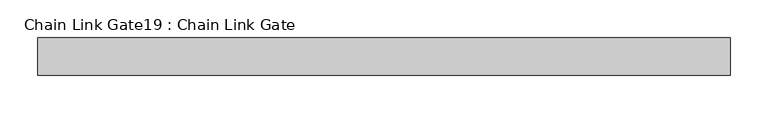
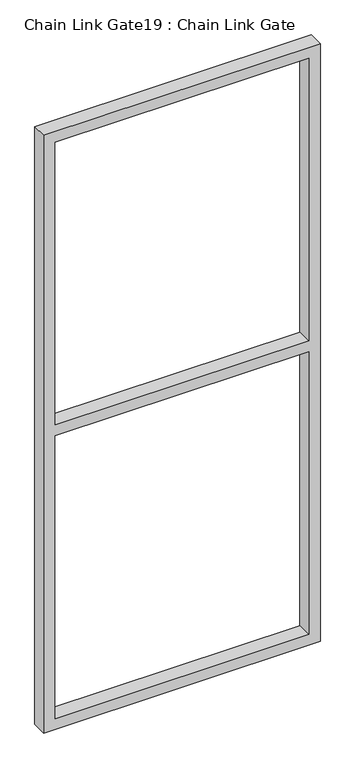
"""IFC4 building model written with IfcOpenShell, lengths in millimetres: proxy geometry, Chain Link Gate19 : Chain Link Gate."""

from ifc_helpers import new_model, si_unit, frame, origin, place, context, project, spatial, polyline, outline, extrude, source, transform, mapped, element, save


def chain_link_gate19_chain_link_gate_bba32ff2(model_context):
    return source(origin(), model_context, "Body", "SweptSolid", [
        extrude(outline(polyline([(2120.9, -13465.1848205), (12.7, -13465.1848205), (12.7, -12541.2598205), (2120.9, -12541.2598205), (2120.9, -13465.1848205)]), holes=[polyline([(2082.8, -13427.0848205), (2082.8, -12579.3598205), (1085.85, -12579.3598205), (1085.85, -13427.0848205), (2082.8, -13427.0848205)]), polyline([(1047.75, -12579.3598205), (50.8, -12579.3598205), (50.8, -13427.0848205), (1047.75, -13427.0848205), (1047.75, -12579.3598205)])]), frame((0.0, 15493.7112077, 0.0), z_axis=(0.0, 1.0, 0.0), x_axis=(0.0, 0.0, 1.0)), (0.0, 0.0, 1.0), 50.1314753),
    ])


if __name__ == "__main__":
    model = new_model("IFC4")
    model_context = context("Model", 3, world=origin())
    ifc_project = project(units=[si_unit("LENGTHUNIT", "METRE", prefix="MILLI")], contexts=[model_context])
    site = spatial("IfcSite", under=ifc_project)
    building = spatial("IfcBuilding", under=site)
    placement = place(None, origin())
    chain_link_gate19_chain_link_gate_shape = chain_link_gate19_chain_link_gate_bba32ff2(model_context)
    element("IfcBuildingElementProxy", 1, Name="Chain Link Gate19 : Chain Link Gate", ObjectType="Chain Link Gate19 : Chain Link Gate", at=placement, inside=building, context=model_context, shape_type="MappedRepresentation", body=[
        mapped(chain_link_gate19_chain_link_gate_shape, transform((0.0, 0.0, 0.0), x_axis=(1.0, 0.0, 0.0), y_axis=(0.0, 1.0, 0.0), z_axis=(0.0, 0.0, 1.0))),
    ])
    save(model, "model.ifc")
